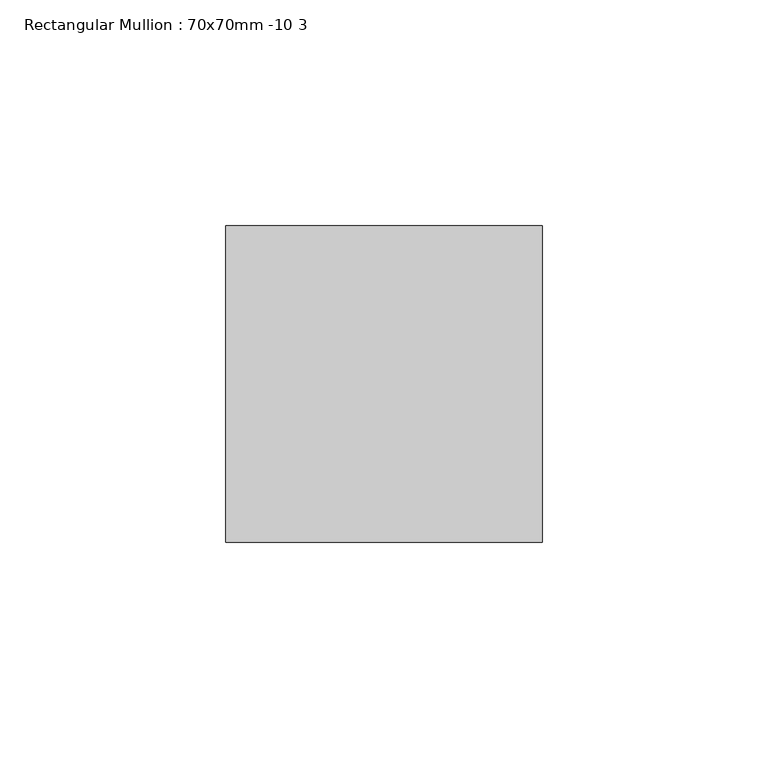
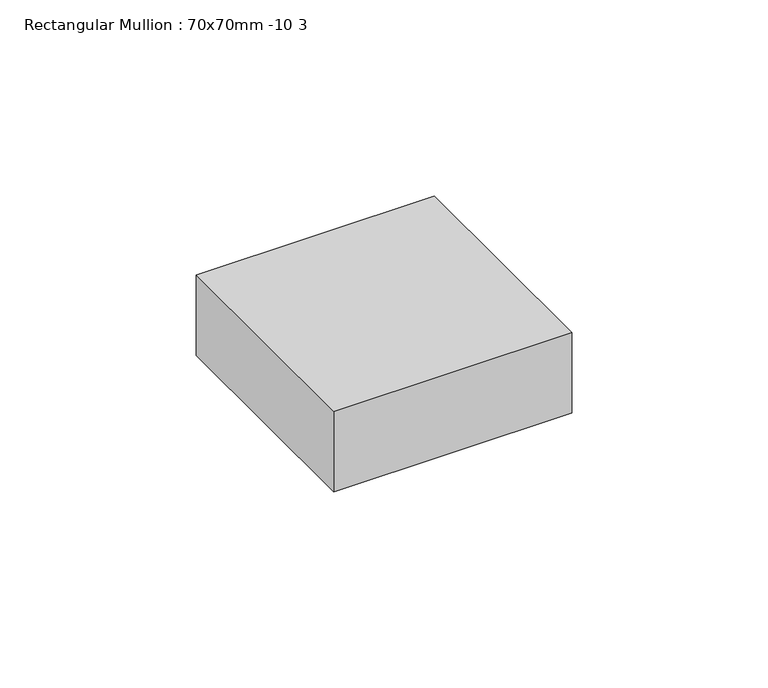
"""IFC4 building model written with IfcOpenShell, lengths in millimetres: member geometry, Rectangular Mullion : 70x70mm -10 3."""

from ifc_helpers import new_model, si_unit, frame, origin, place, context, project, spatial, polyline, outline, extrude, source, transform, mapped, element, save


def rectangular_mullion_70x70mm_10_3_71008b4c(model_context):
    return source(origin(), model_context, "Body", "SweptSolid", [
        extrude(outline(polyline([(35.0, 45.0), (35.0, -25.0), (-35.0, -25.0), (-35.0, 45.0), (35.0, 45.0)])), frame((0.0, 0.0, -25.0), z_axis=(0.0, 0.0, 1.0), x_axis=(1.0, 0.0, 0.0)), (0.0, 0.0, 1.0), 25.0),
    ])


if __name__ == "__main__":
    model = new_model("IFC4")
    model_context = context("Model", 3, world=origin())
    ifc_project = project(units=[si_unit("LENGTHUNIT", "METRE", prefix="MILLI")], contexts=[model_context])
    site = spatial("IfcSite", under=ifc_project)
    building = spatial("IfcBuilding", under=site)
    placement = place(None, origin())
    rectangular_mullion_70x70mm_10_3_shape = rectangular_mullion_70x70mm_10_3_71008b4c(model_context)
    element("IfcMember", 1, ObjectType="Rectangular Mullion : 70x70mm -10 3", at=placement, inside=building, context=model_context, shape_type="MappedRepresentation", body=[
        mapped(rectangular_mullion_70x70mm_10_3_shape, transform((0.0, 0.0, 0.0), x_axis=(1.0, 0.0, 0.0), y_axis=(0.0, 1.0, 0.0), z_axis=(0.0, 0.0, 1.0))),
    ])
    save(model, "model.ifc")
